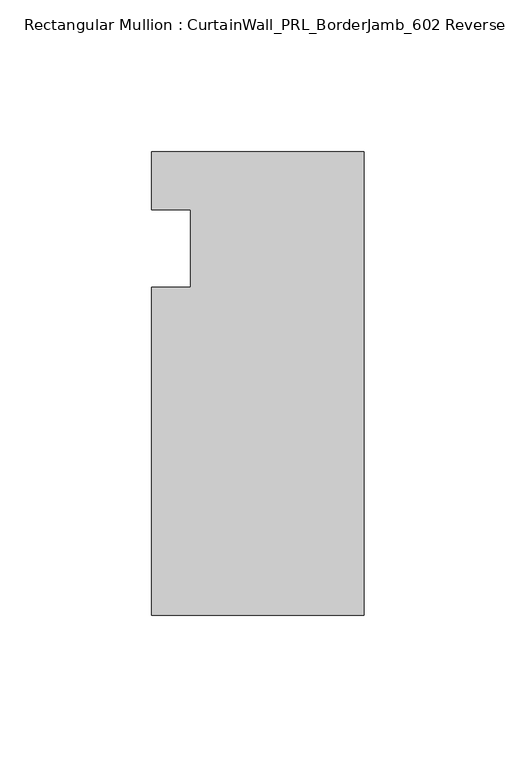
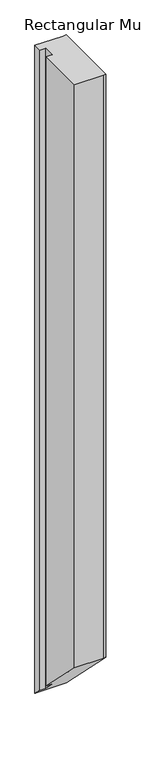
"""IFC4 building model written with IfcOpenShell, lengths in millimetres: member geometry, Rectangular Mullion : CurtainWall_PRL_BorderJamb_602 Reverse."""

from ifc_helpers import new_model, si_unit, origin, place, context, project, spatial, faceted_brep, source, transform, mapped, element, save


def rectangular_mullion_curtainwall_prl_borderjamb_602_reverse_a9f2c319(model_context):
    return source(origin(), model_context, "Body", "Brep", [
        faceted_brep([(-57.15, -12.7, 0.0), (-69.85, -12.7, 0.0), (-69.85, -120.65, 0.0), (-6.35, -120.65, 0.0), (0.0, -120.65, 0.0), (0.0, 31.75, 0.0), (-7.3958824, 31.75, 0.0), (-69.85, 31.75, 0.0), (-69.85, 12.7, 0.0), (-57.15, 12.7, 0.0), (-57.15, -12.7, -1479.55), (-69.85, -12.7, -1479.55), (-69.85, -120.65, -1371.6), (-6.35, -120.65, -1371.6), (0.0, -120.65, -1371.6), (0.0, 31.75, -1524.0), (-7.3958824, 31.75, -1524.0), (-69.85, 31.75, -1524.0), (-69.85, 12.7, -1504.95), (-57.15, 12.7, -1504.95)], [[[0, 1, 2, 3, 4, 5, 6, 7, 8, 9]], [[1, 0, 10, 11]], [[2, 1, 11, 12]], [[3, 2, 12, 13]], [[4, 3, 13, 14]], [[5, 4, 14, 15]], [[6, 5, 15, 16]], [[7, 6, 16, 17]], [[8, 7, 17, 18]], [[9, 8, 18, 19]], [[0, 9, 19, 10]], [[10, 19, 18, 17, 16, 15, 14, 13, 12, 11]]]),
    ])


if __name__ == "__main__":
    model = new_model("IFC4")
    model_context = context("Model", 3, world=origin())
    ifc_project = project(units=[si_unit("LENGTHUNIT", "METRE", prefix="MILLI")], contexts=[model_context])
    site = spatial("IfcSite", under=ifc_project)
    building = spatial("IfcBuilding", under=site)
    placement = place(None, origin())
    rectangular_mullion_curtainwall_prl_borderjamb_602_reverse_shape = rectangular_mullion_curtainwall_prl_borderjamb_602_reverse_a9f2c319(model_context)
    element("IfcMember", 1, ObjectType="Rectangular Mullion : CurtainWall_PRL_BorderJamb_602 Reverse", at=placement, inside=building, context=model_context, shape_type="MappedRepresentation", body=[
        mapped(rectangular_mullion_curtainwall_prl_borderjamb_602_reverse_shape, transform((0.0, 0.0, 0.0), x_axis=(1.0, 0.0, 0.0), y_axis=(0.0, 1.0, 0.0), z_axis=(0.0, 0.0, 1.0))),
    ])
    save(model, "model.ifc")
